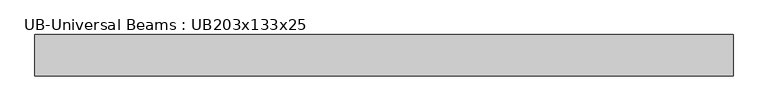
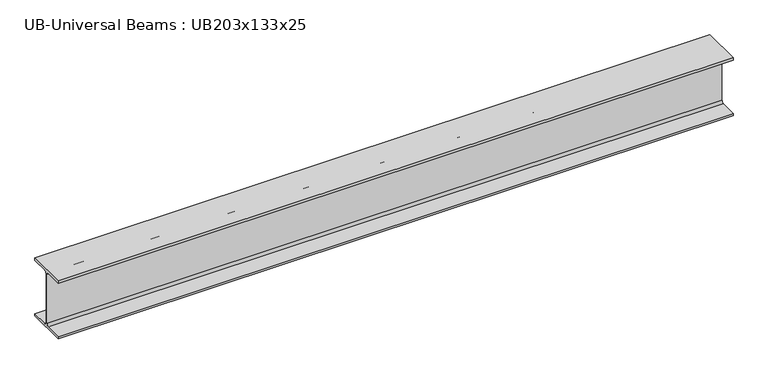
"""IFC4 building model written with IfcOpenShell, lengths in millimetres: beam geometry, UB-Universal Beams : UB203x133x25."""

from ifc_helpers import new_model, si_unit, point, frame, frame_2d, origin, place, context, project, spatial, polyline, circle_curve, trimmed, segment, composite_curve, outline, extrude, source, transform, mapped, element, save


def ub_universal_beams_ub203x133x25_dc1778c1(model_context):
    return source(origin(), model_context, "Body", "SweptSolid", [
        extrude(outline(composite_curve([segment(polyline([(66.6, -93.8), (66.6, -101.6), (-66.6, -101.6), (-66.6, -93.8), (-10.45, -93.8)]), True, "CONTINUOUS"), segment(trimmed(circle_curve(frame_2d((-10.45, -86.2)), 7.6), [point((-10.45, -93.8))], [point((-2.85, -86.2))], True, "CARTESIAN"), True, "CONTINUOUS"), segment(polyline([(-2.85, -86.2), (-2.85, 86.2)]), True, "CONTINUOUS"), segment(trimmed(circle_curve(frame_2d((-10.45, 86.2)), 7.6), [point((-2.85, 86.2))], [point((-10.45, 93.8))], True, "CARTESIAN"), True, "CONTINUOUS"), segment(polyline([(-10.45, 93.8), (-66.6, 93.8), (-66.6, 101.6), (66.6, 101.6), (66.6, 93.8), (10.45, 93.8)]), True, "CONTINUOUS"), segment(trimmed(circle_curve(frame_2d((10.45, 86.2)), 7.6), [point((10.45, 93.8))], [point((2.85, 86.2))], True, "CARTESIAN"), True, "CONTINUOUS"), segment(polyline([(2.85, 86.2), (2.85, -86.2)]), True, "CONTINUOUS"), segment(trimmed(circle_curve(frame_2d((10.45, -86.2)), 7.6), [point((2.85, -86.2))], [point((10.45, -93.8))], True, "CARTESIAN"), True, "CONTINUOUS"), segment(polyline([(10.45, -93.8), (66.6, -93.8)]), True, "CONTINUOUS")], self_intersect=False)), frame((-1119.55, 0.0, 0.0), z_axis=(1.0, 0.0, 0.0), x_axis=(0.0, 1.0, 0.0)), (0.0, 0.0, 1.0), 2239.0),
    ])


if __name__ == "__main__":
    model = new_model("IFC4")
    model_context = context("Model", 3, world=origin())
    ifc_project = project(units=[si_unit("LENGTHUNIT", "METRE", prefix="MILLI")], contexts=[model_context])
    site = spatial("IfcSite", under=ifc_project)
    building = spatial("IfcBuilding", under=site)
    placement = place(None, origin())
    ub_universal_beams_ub203x133x25_shape = ub_universal_beams_ub203x133x25_dc1778c1(model_context)
    element("IfcBeam", 1, ObjectType="UB-Universal Beams : UB203x133x25", at=placement, inside=building, context=model_context, shape_type="MappedRepresentation", body=[
        mapped(ub_universal_beams_ub203x133x25_shape, transform((0.0, 0.0, 0.0), x_axis=(1.0, 0.0, 0.0), y_axis=(0.0, 1.0, 0.0), z_axis=(0.0, 0.0, 1.0))),
    ])
    save(model, "model.ifc")
